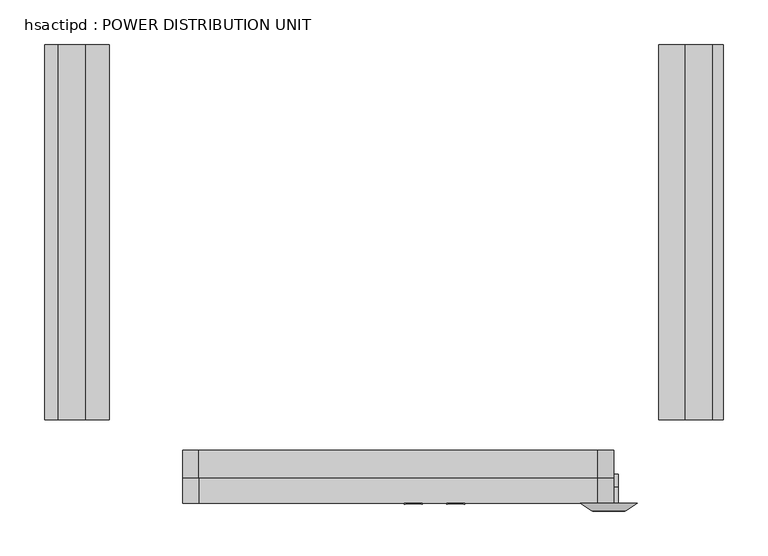
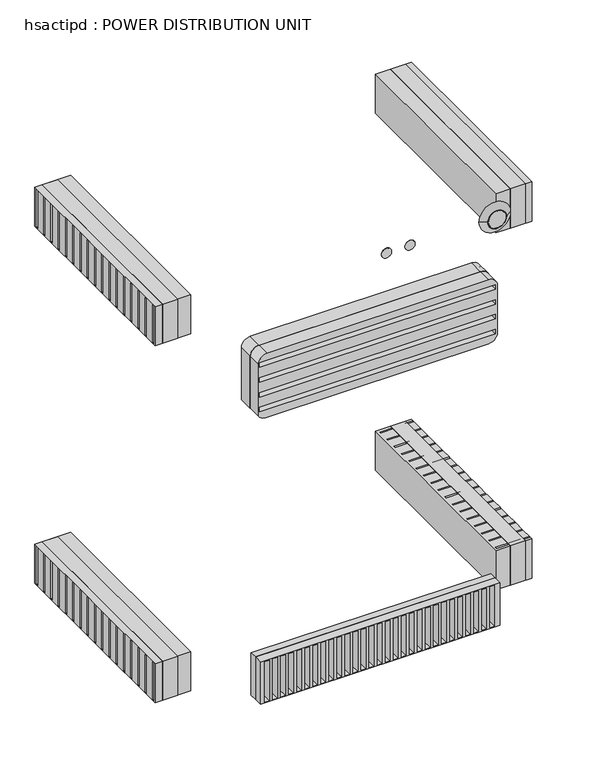
"""IFC4 building model written with IfcOpenShell, lengths in millimetres: proxy geometry, hsactipd : POWER DISTRIBUTION UNIT."""

import ifcopenshell
import ifcopenshell.guid

model = None  # the IFC model being written
_history = None  # IfcOwnerHistory: only IFC2X3 demands one
_inside = {}  # id of a spatial element -> (the spatial element, [elements in it])
_under = {}  # id of a project, library or spatial element -> (it, [spatial elements below it])
_declared = {}  # id of a project -> (the project, [libraries it declares])
_typed = {}  # id of a type object -> (the type object, [elements of that type])
_made_of = {}  # id of a material, layer set ... -> (it, [elements and type objects made of it])


def new_model(schema):
    """Start an empty IFC model of exactly this schema.

    Asked for "IFC4X3", IfcOpenShell would pick the latest addendum, in which some entities
    have other attributes; the version numbers below select the first issue.
    IFC2X3 requires an IfcOwnerHistory on every rooted entity: one is made here for all.
    """
    global model, _history
    if schema == "IFC4X3":
        model = ifcopenshell.file(schema_version=(4, 3, 0, 0))
    else:
        model = ifcopenshell.file(schema=schema)
    _inside.clear()
    _under.clear()
    _declared.clear()
    _typed.clear()
    _made_of.clear()
    _history = None
    if model.schema == "IFC2X3":
        org = make("IfcOrganization", Name="unknown")
        user = make(
            "IfcPersonAndOrganization",
            ThePerson=make("IfcPerson", FamilyName="unknown"),
            TheOrganization=org,
        )
        app = make(
            "IfcApplication",
            ApplicationDeveloper=org,
            Version="unknown",
            ApplicationFullName="unknown",
            ApplicationIdentifier="unknown",
        )
        _history = make(
            "IfcOwnerHistory",
            OwningUser=user,
            OwningApplication=app,
            ChangeAction="ADDED",
            CreationDate=0,
        )
    return model


def make(cls, **values):
    """One entity of the class cls with the attributes given. An attribute that is None is left unset."""
    return model.create_entity(
        cls, **{name: value for name, value in values.items() if value is not None}
    )


def rooted(cls, **values):
    """An entity with a GlobalId (a new one), such as an element, a storey or a relation."""
    return make(cls, GlobalId=ifcopenshell.guid.new(), OwnerHistory=_history, **values)


def si_unit(unit_type, name, prefix=None):
    """IfcSIUnit, for example si_unit("LENGTHUNIT", "METRE", prefix="MILLI")."""
    return make("IfcSIUnit", UnitType=unit_type, Prefix=prefix, Name=name)


def assignment(units):
    """IfcUnitAssignment: the units of a project."""
    return None if units is None else make("IfcUnitAssignment", Units=units)


def point(xyz):
    """IfcCartesianPoint."""
    return None if xyz is None else make("IfcCartesianPoint", Coordinates=xyz)


def direction(xyz):
    """IfcDirection."""
    return None if xyz is None else make("IfcDirection", DirectionRatios=xyz)


def frame(location, z_axis=None, x_axis=None):
    """IfcAxis2Placement3D, a coordinate frame: its origin and axes. An axis left out is left unset."""
    return make(
        "IfcAxis2Placement3D",
        Location=point(location),
        Axis=direction(z_axis),
        RefDirection=direction(x_axis),
    )


def frame_2d(location, x_axis=None):
    """IfcAxis2Placement2D, a coordinate frame in the plane: its origin and x axis."""
    return make(
        "IfcAxis2Placement2D", Location=point(location), RefDirection=direction(x_axis)
    )


def origin():
    """The frame at (0, 0, 0) with its axes left unset."""
    return frame((0.0, 0.0, 0.0))


def place(relative_to, where):
    """IfcLocalPlacement: puts the frame where relative to a parent placement (None: the world)."""
    return make(
        "IfcLocalPlacement", PlacementRelTo=relative_to, RelativePlacement=where
    )


def context(
    kind, dimensions, precision=None, world=None, true_north=None, identifier=None
):
    """IfcGeometricRepresentationContext, for example the 3D "Model" context."""
    return make(
        "IfcGeometricRepresentationContext",
        ContextIdentifier=identifier,
        ContextType=kind,
        CoordinateSpaceDimension=dimensions,
        Precision=precision,
        WorldCoordinateSystem=world,
        TrueNorth=true_north,
    )


def project(units=None, contexts=None):
    """IfcProject with its units and contexts."""
    return rooted(
        "IfcProject",
        Name="project",
        RepresentationContexts=contexts,
        UnitsInContext=assignment(units),
    )


def spatial(cls, under=None, at=None, **own):
    """A site, building, storey or space (cls), placed at a placement, below another one or the project."""
    s = rooted(cls, ObjectPlacement=at, **own)
    if under is not None:
        _under.setdefault(under.id(), (under, []))[1].append(s)
    return s


def polyline(points):
    """IfcPolyline through the points."""
    return make("IfcPolyline", Points=[point(p) for p in points])


def circle_curve(where, radius):
    """IfcCircle in the frame where."""
    return make("IfcCircle", Position=where, Radius=radius)


def trimmed(basis, trim1, trim2, sense, master):
    """IfcTrimmedCurve: the piece of a basis curve between two trims."""
    return make(
        "IfcTrimmedCurve",
        BasisCurve=basis,
        Trim1=trim1,
        Trim2=trim2,
        SenseAgreement=sense,
        MasterRepresentation=master,
    )


def segment(curve, same_sense, transition):
    """IfcCompositeCurveSegment."""
    return make(
        "IfcCompositeCurveSegment",
        Transition=transition,
        SameSense=same_sense,
        ParentCurve=curve,
    )


def composite_curve(segments, self_intersect=None):
    """IfcCompositeCurve: segments joined end to end."""
    return make("IfcCompositeCurve", Segments=segments, SelfIntersect=self_intersect)


def outline(outer, holes=None, kind="AREA"):
    """IfcArbitraryClosedProfileDef: a profile drawn as a closed curve; with holes, ...WithVoids."""
    if holes is None:
        return make("IfcArbitraryClosedProfileDef", ProfileType=kind, OuterCurve=outer)
    return make(
        "IfcArbitraryProfileDefWithVoids",
        ProfileType=kind,
        OuterCurve=outer,
        InnerCurves=holes,
    )


def extrude(swept, where, along, depth):
    """IfcExtrudedAreaSolid: the profile swept, set in the frame where, extruded along a direction by depth."""
    return make(
        "IfcExtrudedAreaSolid",
        SweptArea=swept,
        Position=where,
        ExtrudedDirection=direction(along),
        Depth=depth,
    )


def faces_of(points, faces, orient=None, outer=None):
    """IfcFace entities. A face is a list of loops; a loop is a list of indices into points, from 0.

    orient and outer hold one flag for each loop. By default every Orientation is true, the
    first loop of a face is its IfcFaceOuterBound and the others are IfcFaceBound.
    """
    made = []
    for i, loops in enumerate(faces):
        bounds = []
        for j, loop in enumerate(loops):
            is_outer = j == 0 if outer is None else outer[i][j]
            bounds.append(
                make(
                    "IfcFaceOuterBound" if is_outer else "IfcFaceBound",
                    Bound=make("IfcPolyLoop", Polygon=[points[k] for k in loop]),
                    Orientation=True if orient is None else orient[i][j],
                )
            )
        made.append(make("IfcFace", Bounds=bounds))
    return made


def faceted_brep(points, faces, orient=None, outer=None, voids=None):
    """IfcFacetedBrep: a solid bounded by flat faces; with voids (closed shells), ...WithVoids."""
    shared = [point(p) for p in points]
    hull = make("IfcClosedShell", CfsFaces=faces_of(shared, faces, orient, outer))
    if voids is None:
        return make("IfcFacetedBrep", Outer=hull)
    return make(
        "IfcFacetedBrepWithVoids",
        Outer=hull,
        Voids=[
            make(cls, CfsFaces=faces_of(shared, fs, o, b)) for cls, fs, o, b in voids
        ],
    )


def shape(context_of_items, identifier, shape_type, items):
    """IfcShapeRepresentation: the items that make up one representation, for example the "Body"."""
    return make(
        "IfcShapeRepresentation",
        ContextOfItems=context_of_items,
        RepresentationIdentifier=identifier,
        RepresentationType=shape_type,
        Items=items,
    )


def source(mapping_origin, context_of_items, identifier, shape_type, items):
    """IfcRepresentationMap: a shape defined once, which mapped items show again and again."""
    return make(
        "IfcRepresentationMap",
        MappingOrigin=mapping_origin,
        MappedRepresentation=shape(context_of_items, identifier, shape_type, items),
    )


def transform(
    local_origin,
    x_axis=None,
    y_axis=None,
    z_axis=None,
    scale=None,
    scale2=None,
    scale3=None,
    uniform=True,
):
    """IfcCartesianTransformationOperator3D, or its non-uniform kind. x_axis, y_axis, z_axis: its Axis1, 2, 3."""
    if uniform:
        return make(
            "IfcCartesianTransformationOperator3D",
            Axis1=direction(x_axis),
            Axis2=direction(y_axis),
            LocalOrigin=point(local_origin),
            Scale=scale,
            Axis3=direction(z_axis),
        )
    return make(
        "IfcCartesianTransformationOperator3DnonUniform",
        Axis1=direction(x_axis),
        Axis2=direction(y_axis),
        LocalOrigin=point(local_origin),
        Scale=scale,
        Axis3=direction(z_axis),
        Scale2=scale2,
        Scale3=scale3,
    )


def mapped(mapping_source, mapping_target):
    """IfcMappedItem: shows the shape of a source again, moved by a transform."""
    return make(
        "IfcMappedItem", MappingSource=mapping_source, MappingTarget=mapping_target
    )


def made_of(thing, what):
    """Note that an element or type object is made of a material, layer set ...; save() writes the relation."""
    if what is not None:
        _made_of.setdefault(what.id(), (what, []))[1].append(thing)
    return thing


def element(
    cls,
    number,
    at=None,
    inside=None,
    cuts=None,
    type_object=None,
    material=None,
    context=None,
    identifier="Body",
    shape_type=None,
    held_by="IfcProductDefinitionShape",
    body=None,
    shapes=None,
    **own,
):
    """One element of the class cls, such as IfcWall. Its Tag is "e" and its number.

    at: its placement. inside: the storey or other place that contains it. cuts: it is an
    opening in that element (IfcRelVoidsElement). A single representation is given by context,
    identifier, shape_type and body (its items); several are given by shapes. held_by: the class
    of the entity that holds the representations. save() writes the other relations.
    """
    e = rooted(cls, Tag="e%d" % number, ObjectPlacement=at, **own)
    if body is not None:
        shapes = [shape(context, identifier, shape_type, body)]
    if shapes is not None:
        e.Representation = make(held_by, Representations=shapes)
    if inside is not None:
        _inside.setdefault(inside.id(), (inside, []))[1].append(e)
    if cuts is not None:
        rooted(
            "IfcRelVoidsElement", RelatingBuildingElement=cuts, RelatedOpeningElement=e
        )
    if type_object is not None:
        _typed.setdefault(type_object.id(), (type_object, []))[1].append(e)
    return made_of(e, material)


def aggregate(whole, parts):
    """IfcRelAggregates: a whole, such as a stair, and the parts it consists of."""
    return rooted("IfcRelAggregates", RelatingObject=whole, RelatedObjects=parts)


def save(model, path):
    """Write the relations noted so far, then the file.

    IfcRelAggregates (storeys below a building ...), IfcRelContainedInSpatialStructure (elements
    in a storey), IfcRelDefinesByType, IfcRelAssociatesMaterial and IfcRelDeclares: one each for
    every whole, place, type object, material and project.
    """
    for whole, parts in _under.values():
        aggregate(whole, parts)
    for where, things in _inside.values():
        rooted(
            "IfcRelContainedInSpatialStructure",
            RelatedElements=things,
            RelatingStructure=where,
        )
    for kind, things in _typed.values():
        rooted("IfcRelDefinesByType", RelatedObjects=things, RelatingType=kind)
    for what, things in _made_of.values():
        rooted("IfcRelAssociatesMaterial", RelatedObjects=things, RelatingMaterial=what)
    for by, libraries in _declared.values():
        rooted("IfcRelDeclares", RelatingContext=by, RelatedDefinitions=libraries)
    model.write(path)


def plane_surface(at):
    """IfcPlane: the flat surface through the origin of the frame at, square to its z axis."""
    return make("IfcPlane", Position=at)


def revolved_surface(curve, axis_point, axis_direction):
    """IfcSurfaceOfRevolution: the curve turned about the line through axis_point along axis_direction."""
    return make(
        "IfcSurfaceOfRevolution",
        SweptCurve=make("IfcArbitraryOpenProfileDef", ProfileType="CURVE", Curve=curve),
        AxisPosition=make("IfcAxis1Placement", Location=point(axis_point), Axis=direction(axis_direction)),
    )


def advanced_brep(points, edges, surfaces, faces):
    """IfcAdvancedBrep: a solid bounded by faces that lie on surfaces and meet in shared edges.

    An edge is (start, end): straight between two places in points (the first is 0);
    or (start, end, curve); or (start, end, curve, False) where it runs against its curve.
    A face is (place in surfaces, loops), or (place, loops, False) where it looks against
    its surface's normal. A loop lists edges by number (the first is 1), with a minus sign
    where the edge is run from its end to its start. The first loop is the outer one.
    """
    corners = [point(p) for p in points]
    vertices = [make("IfcVertexPoint", VertexGeometry=c) for c in corners]
    made = []
    for start, end, *more in edges:
        made.append(
            make(
                "IfcEdgeCurve",
                EdgeStart=vertices[start],
                EdgeEnd=vertices[end],
                EdgeGeometry=more[0] if more else make("IfcPolyline", Points=[corners[start], corners[end]]),
                SameSense=more[1] if len(more) > 1 else True,
            )
        )
    hull = []
    for where, loops, *sense in faces:
        bounds = []
        for j, loop in enumerate(loops):
            ring = [make("IfcOrientedEdge", EdgeElement=made[abs(k) - 1], Orientation=k > 0) for k in loop]
            bounds.append(
                make(
                    "IfcFaceOuterBound" if j == 0 else "IfcFaceBound",
                    Bound=make("IfcEdgeLoop", EdgeList=ring),
                    Orientation=True,
                )
            )
        hull.append(make("IfcAdvancedFace", Bounds=bounds, FaceSurface=surfaces[where], SameSense=sense[0] if sense else True))
    return make("IfcAdvancedBrep", Outer=make("IfcClosedShell", CfsFaces=hull))


def hsactipd_power_distribution_unit_e67f532d(model_context):
    return source(origin(), model_context, "Body", "SolidModel", [
        extrude(outline(polyline([(761.8482721, -324.5379539), (761.8482721, -744.9079539), (731.5127684, -744.9079539), (731.5127684, -324.5379539), (761.8482721, -324.5379539)])), frame((0.0, 0.0, 121.047899), z_axis=(0.0, 0.0, 1.0), x_axis=(1.0, 0.0, 0.0)), (0.0, 0.0, 1.0), 83.82),
        extrude(outline(polyline([(761.8482721, -324.5379539), (761.8482721, -744.9079539), (731.5127684, -744.9079539), (731.5127684, -324.5379539), (761.8482721, -324.5379539)])), frame((0.0, 0.0, 883.047899), z_axis=(0.0, 0.0, 1.0), x_axis=(1.0, 0.0, 0.0)), (0.0, 0.0, 1.0), 83.82),
        extrude(outline(polyline([(28.6535885, -744.9079539), (28.6535885, -324.5379539), (58.9890922, -324.5379539), (58.9890922, -744.9079539), (28.6535885, -744.9079539)])), frame((0.0, 0.0, 121.047899), z_axis=(0.0, 0.0, 1.0), x_axis=(1.0, 0.0, 0.0)), (0.0, 0.0, 1.0), 83.82),
        extrude(outline(polyline([(28.6535885, -744.9079539), (28.6535885, -324.5379539), (58.9890922, -324.5379539), (58.9890922, -744.9079539), (28.6535885, -744.9079539)])), frame((0.0, 0.0, 883.047899), z_axis=(0.0, 0.0, 1.0), x_axis=(1.0, 0.0, 0.0)), (0.0, 0.0, 1.0), 83.82),
        extrude(outline(polyline([(656.4572816, -820.2558112), (172.5872816, -820.2558112), (172.5872816, -805.8457536), (656.4572816, -805.8457536), (656.4572816, -820.2558112)])), frame((0.0, 0.0, 118.6856245), z_axis=(0.0, 0.0, 1.0), x_axis=(1.0, 0.0, 0.0)), (0.0, 0.0, 1.0), 90.17),
        extrude(outline(composite_curve([segment(polyline([(845.892643, 168.2948993), (734.9447741, 168.2948993)]), True, "CONTINUOUS"), segment(trimmed(circle_curve(frame_2d((745.3012718, 182.7472816)), 17.78), [point((734.9447741, 168.2948993))], [point((727.5212718, 182.7472816))], False, "CARTESIAN"), True, "CONTINUOUS"), segment(polyline([(727.5212718, 182.7472816), (727.5212718, 633.5972816)]), True, "CONTINUOUS"), segment(trimmed(circle_curve(frame_2d((745.3012718, 633.5972816)), 17.78), [point((727.5212718, 633.5972816))], [point((745.3012718, 651.3772816))], False, "CARTESIAN"), True, "CONTINUOUS"), segment(polyline([(745.3012718, 651.3772816), (845.892643, 651.3772816)]), True, "CONTINUOUS"), segment(trimmed(circle_curve(frame_2d((845.892643, 633.5972816)), 17.78), [point((845.892643, 651.3772816))], [point((863.672643, 633.5972816))], False, "CARTESIAN"), True, "CONTINUOUS"), segment(polyline([(863.672643, 633.5972816), (863.672643, 186.0748993)]), True, "CONTINUOUS"), segment(trimmed(circle_curve(frame_2d((845.892643, 186.0748993)), 17.78), [point((863.672643, 186.0748993))], [point((845.892643, 168.2948993))], False, "CARTESIAN"), True, "CONTINUOUS")], self_intersect=False)), frame((0.0, -810.0150461, 0.0), z_axis=(0.0, 1.0, 0.0), x_axis=(0.0, 0.0, 1.0)), (0.0, 0.0, 1.0), 30.8170922),
        faceted_brep([(774.3030789, -324.5379539, 966.867899), (774.3030789, -744.9079539, 966.867899), (774.3030789, -744.9079539, 883.047899), (774.3030789, -324.5379539, 883.047899), (774.3030789, -736.3419115, 965.3989057), (774.3030789, -736.3419115, 884.1630022), (774.3030789, -740.0505071, 884.1630022), (774.3030789, -740.0505071, 965.3989057), (774.3030789, -710.9419115, 965.3989057), (774.3030789, -710.9419115, 884.1630022), (774.3030789, -714.6505071, 884.1630022), (774.3030789, -714.6505071, 965.3989057), (774.3030789, -685.5419115, 965.3989057), (774.3030789, -685.5419115, 884.1630022), (774.3030789, -689.2505071, 884.1630022), (774.3030789, -689.2505071, 965.3989057), (774.3030789, -660.1419115, 965.3989057), (774.3030789, -660.1419115, 884.1630022), (774.3030789, -663.8505071, 884.1630022), (774.3030789, -663.8505071, 965.3989057), (774.3030789, -634.7419115, 965.3989057), (774.3030789, -634.7419115, 884.1630022), (774.3030789, -638.4505071, 884.1630022), (774.3030789, -638.4505071, 965.3989057), (774.3030789, -609.3419115, 965.3989057), (774.3030789, -609.3419115, 884.1630022), (774.3030789, -613.0505071, 884.1630022), (774.3030789, -613.0505071, 965.3989057), (774.3030789, -583.9419115, 965.3989057), (774.3030789, -583.9419115, 884.1630022), (774.3030789, -587.6505071, 884.1630022), (774.3030789, -587.6505071, 965.3989057), (774.3030789, -558.5419115, 965.3989057), (774.3030789, -558.5419115, 884.1630022), (774.3030789, -562.2505071, 884.1630022), (774.3030789, -562.2505071, 965.3989057), (774.3030789, -533.1419115, 965.3989057), (774.3030789, -533.1419115, 884.1630022), (774.3030789, -536.8505071, 884.1630022), (774.3030789, -536.8505071, 965.3989057), (774.3030789, -507.7419115, 965.3989057), (774.3030789, -507.7419115, 884.1630022), (774.3030789, -511.4505071, 884.1630022), (774.3030789, -511.4505071, 965.3989057), (774.3030789, -482.3419115, 965.3989057), (774.3030789, -482.3419115, 884.1630022), (774.3030789, -486.0505071, 884.1630022), (774.3030789, -486.0505071, 965.3989057), (774.3030789, -456.9419115, 965.3989057), (774.3030789, -456.9419115, 884.1630022), (774.3030789, -460.6505071, 884.1630022), (774.3030789, -460.6505071, 965.3989057), (774.3030789, -431.5419115, 965.3989057), (774.3030789, -431.5419115, 884.1630022), (774.3030789, -435.2505071, 884.1630022), (774.3030789, -435.2505071, 965.3989057), (774.3030789, -406.1419115, 965.3989057), (774.3030789, -406.1419115, 884.1630022), (774.3030789, -409.8505071, 884.1630022), (774.3030789, -409.8505071, 965.3989057), (774.3030789, -380.7419115, 965.3989057), (774.3030789, -380.7419115, 884.1630022), (774.3030789, -384.4505071, 884.1630022), (774.3030789, -384.4505071, 965.3989057), (774.3030789, -355.3419115, 965.3989057), (774.3030789, -355.3419115, 884.1630022), (774.3030789, -359.0505071, 884.1630022), (774.3030789, -359.0505071, 965.3989057), (774.3030789, -329.9419115, 965.3989057), (774.3030789, -329.9419115, 884.1630022), (774.3030789, -333.6505071, 884.1630022), (774.3030789, -333.6505071, 965.3989057), (701.9825097, -324.5379539, 966.867899), (701.9825097, -324.5379539, 883.047899), (701.9825097, -744.9079539, 883.047899), (701.9825097, -744.9079539, 966.867899), (706.2723647, -736.3419115, 965.3989057), (706.2723647, -740.0505071, 965.3989057), (706.2723647, -740.0505071, 884.1630022), (706.2723647, -736.3419115, 884.1630022), (706.2723647, -710.9419115, 965.3989057), (706.2723647, -714.6505071, 965.3989057), (706.2723647, -714.6505071, 884.1630022), (706.2723647, -710.9419115, 884.1630022), (706.2723647, -685.5419115, 965.3989057), (706.2723647, -689.2505071, 965.3989057), (706.2723647, -689.2505071, 884.1630022), (706.2723647, -685.5419115, 884.1630022), (706.2723647, -660.1419115, 965.3989057), (706.2723647, -663.8505071, 965.3989057), (706.2723647, -663.8505071, 884.1630022), (706.2723647, -660.1419115, 884.1630022), (706.2723647, -634.7419115, 965.3989057), (706.2723647, -638.4505071, 965.3989057), (706.2723647, -638.4505071, 884.1630022), (706.2723647, -634.7419115, 884.1630022), (706.2723647, -609.3419115, 965.3989057), (706.2723647, -613.0505071, 965.3989057), (706.2723647, -613.0505071, 884.1630022), (706.2723647, -609.3419115, 884.1630022), (706.2723647, -583.9419115, 965.3989057), (706.2723647, -587.6505071, 965.3989057), (706.2723647, -587.6505071, 884.1630022), (706.2723647, -583.9419115, 884.1630022), (706.2723647, -558.5419115, 965.3989057), (706.2723647, -562.2505071, 965.3989057), (706.2723647, -562.2505071, 884.1630022), (706.2723647, -558.5419115, 884.1630022), (706.2723647, -533.1419115, 965.3989057), (706.2723647, -536.8505071, 965.3989057), (706.2723647, -536.8505071, 884.1630022), (706.2723647, -533.1419115, 884.1630022), (706.2723647, -507.7419115, 965.3989057), (706.2723647, -511.4505071, 965.3989057), (706.2723647, -511.4505071, 884.1630022), (706.2723647, -507.7419115, 884.1630022), (706.2723647, -482.3419115, 965.3989057), (706.2723647, -486.0505071, 965.3989057), (706.2723647, -486.0505071, 884.1630022), (706.2723647, -482.3419115, 884.1630022), (706.2723647, -456.9419115, 965.3989057), (706.2723647, -460.6505071, 965.3989057), (706.2723647, -460.6505071, 884.1630022), (706.2723647, -456.9419115, 884.1630022), (706.2723647, -431.5419115, 965.3989057), (706.2723647, -435.2505071, 965.3989057), (706.2723647, -435.2505071, 884.1630022), (706.2723647, -431.5419115, 884.1630022), (706.2723647, -406.1419115, 965.3989057), (706.2723647, -409.8505071, 965.3989057), (706.2723647, -409.8505071, 884.1630022), (706.2723647, -406.1419115, 884.1630022), (706.2723647, -380.7419115, 965.3989057), (706.2723647, -384.4505071, 965.3989057), (706.2723647, -384.4505071, 884.1630022), (706.2723647, -380.7419115, 884.1630022), (706.2723647, -355.3419115, 965.3989057), (706.2723647, -359.0505071, 965.3989057), (706.2723647, -359.0505071, 884.1630022), (706.2723647, -355.3419115, 884.1630022), (706.2723647, -329.9419115, 965.3989057), (706.2723647, -333.6505071, 965.3989057), (706.2723647, -333.6505071, 884.1630022), (706.2723647, -329.9419115, 884.1630022)], [[[0, 1, 2, 3], [4, 5, 6, 7], [8, 9, 10, 11], [12, 13, 14, 15], [16, 17, 18, 19], [20, 21, 22, 23], [24, 25, 26, 27], [28, 29, 30, 31], [32, 33, 34, 35], [36, 37, 38, 39], [40, 41, 42, 43], [44, 45, 46, 47], [48, 49, 50, 51], [52, 53, 54, 55], [56, 57, 58, 59], [60, 61, 62, 63], [64, 65, 66, 67], [68, 69, 70, 71]], [[72, 73, 74, 75]], [[0, 3, 73, 72]], [[3, 2, 74, 73]], [[2, 1, 75, 74]], [[1, 0, 72, 75]], [[76, 77, 78, 79]], [[80, 81, 82, 83]], [[84, 85, 86, 87]], [[88, 89, 90, 91]], [[92, 93, 94, 95]], [[96, 97, 98, 99]], [[100, 101, 102, 103]], [[104, 105, 106, 107]], [[108, 109, 110, 111]], [[112, 113, 114, 115]], [[116, 117, 118, 119]], [[120, 121, 122, 123]], [[124, 125, 126, 127]], [[128, 129, 130, 131]], [[132, 133, 134, 135]], [[136, 137, 138, 139]], [[140, 141, 142, 143]], [[76, 79, 5, 4]], [[79, 78, 6, 5]], [[78, 77, 7, 6]], [[77, 76, 4, 7]], [[80, 83, 9, 8]], [[83, 82, 10, 9]], [[82, 81, 11, 10]], [[81, 80, 8, 11]], [[84, 87, 13, 12]], [[87, 86, 14, 13]], [[86, 85, 15, 14]], [[85, 84, 12, 15]], [[88, 91, 17, 16]], [[91, 90, 18, 17]], [[90, 89, 19, 18]], [[89, 88, 16, 19]], [[92, 95, 21, 20]], [[95, 94, 22, 21]], [[94, 93, 23, 22]], [[93, 92, 20, 23]], [[96, 99, 25, 24]], [[99, 98, 26, 25]], [[98, 97, 27, 26]], [[97, 96, 24, 27]], [[100, 103, 29, 28]], [[103, 102, 30, 29]], [[102, 101, 31, 30]], [[101, 100, 28, 31]], [[104, 107, 33, 32]], [[107, 106, 34, 33]], [[106, 105, 35, 34]], [[105, 104, 32, 35]], [[108, 111, 37, 36]], [[111, 110, 38, 37]], [[110, 109, 39, 38]], [[109, 108, 36, 39]], [[112, 115, 41, 40]], [[115, 114, 42, 41]], [[114, 113, 43, 42]], [[113, 112, 40, 43]], [[116, 119, 45, 44]], [[119, 118, 46, 45]], [[118, 117, 47, 46]], [[117, 116, 44, 47]], [[120, 123, 49, 48]], [[123, 122, 50, 49]], [[122, 121, 51, 50]], [[121, 120, 48, 51]], [[124, 127, 53, 52]], [[127, 126, 54, 53]], [[126, 125, 55, 54]], [[125, 124, 52, 55]], [[128, 131, 57, 56]], [[131, 130, 58, 57]], [[130, 129, 59, 58]], [[129, 128, 56, 59]], [[132, 135, 61, 60]], [[135, 134, 62, 61]], [[134, 133, 63, 62]], [[133, 132, 60, 63]], [[136, 139, 65, 64]], [[139, 138, 66, 65]], [[138, 137, 67, 66]], [[137, 136, 64, 67]], [[140, 143, 69, 68]], [[143, 142, 70, 69]], [[142, 141, 71, 70]], [[141, 140, 68, 71]]]),
        faceted_brep([(774.3030789, -744.9079539, 204.867899), (774.3030789, -744.9079539, 121.047899), (774.3030789, -324.5379539, 121.047899), (774.3030789, -324.5379539, 204.867899), (774.3030789, -329.9419115, 204.867899), (774.3030789, -329.9419115, 125.3934548), (774.3030789, -333.6505071, 125.3934548), (774.3030789, -333.6505071, 204.867899), (774.3030789, -355.3419115, 204.867899), (774.3030789, -355.3419115, 125.3934548), (774.3030789, -359.0505071, 125.3934548), (774.3030789, -359.0505071, 204.867899), (774.3030789, -380.7419115, 204.867899), (774.3030789, -380.7419115, 125.3934548), (774.3030789, -384.4505071, 125.3934548), (774.3030789, -384.4505071, 204.867899), (774.3030789, -406.1419115, 204.867899), (774.3030789, -406.1419115, 125.3934548), (774.3030789, -409.8505071, 125.3934548), (774.3030789, -409.8505071, 204.867899), (774.3030789, -431.5419115, 204.867899), (774.3030789, -431.5419115, 125.3934548), (774.3030789, -435.2505071, 125.3934548), (774.3030789, -435.2505071, 204.867899), (774.3030789, -456.9419115, 204.867899), (774.3030789, -456.9419115, 125.3934548), (774.3030789, -460.6505071, 125.3934548), (774.3030789, -460.6505071, 204.867899), (774.3030789, -482.3419115, 204.867899), (774.3030789, -482.3419115, 125.3934548), (774.3030789, -486.0505071, 125.3934548), (774.3030789, -486.0505071, 204.867899), (774.3030789, -507.7419115, 204.867899), (774.3030789, -507.7419115, 125.3934548), (774.3030789, -511.4505071, 125.3934548), (774.3030789, -511.4505071, 204.867899), (774.3030789, -533.1419115, 204.867899), (774.3030789, -533.1419115, 125.3934548), (774.3030789, -536.8505071, 125.3934548), (774.3030789, -536.8505071, 204.867899), (774.3030789, -558.5419115, 204.867899), (774.3030789, -558.5419115, 125.3934548), (774.3030789, -562.2505071, 125.3934548), (774.3030789, -562.2505071, 204.867899), (774.3030789, -583.9419115, 204.867899), (774.3030789, -583.9419115, 125.3934548), (774.3030789, -587.6505071, 125.3934548), (774.3030789, -587.6505071, 204.867899), (774.3030789, -609.3419115, 204.867899), (774.3030789, -609.3419115, 125.3934548), (774.3030789, -613.0505071, 125.3934548), (774.3030789, -613.0505071, 204.867899), (774.3030789, -634.7419115, 204.867899), (774.3030789, -634.7419115, 125.3934548), (774.3030789, -638.4505071, 125.3934548), (774.3030789, -638.4505071, 204.867899), (774.3030789, -660.1419115, 204.867899), (774.3030789, -660.1419115, 125.3934548), (774.3030789, -663.8505071, 125.3934548), (774.3030789, -663.8505071, 204.867899), (774.3030789, -685.5419115, 204.867899), (774.3030789, -685.5419115, 125.3934548), (774.3030789, -689.2505071, 125.3934548), (774.3030789, -689.2505071, 204.867899), (774.3030789, -710.9419115, 204.867899), (774.3030789, -710.9419115, 125.3934548), (774.3030789, -714.6505071, 125.3934548), (774.3030789, -714.6505071, 204.867899), (774.3030789, -736.3419115, 204.867899), (774.3030789, -736.3419115, 125.3934548), (774.3030789, -740.0505071, 125.3934548), (774.3030789, -740.0505071, 204.867899), (701.9825097, -324.5379539, 204.867899), (701.9825097, -324.5379539, 121.047899), (701.9825097, -744.9079539, 121.047899), (701.9825097, -744.9079539, 204.867899), (706.2723647, -740.0505071, 204.867899), (706.2723647, -736.3419115, 204.867899), (706.2723647, -714.6505071, 204.867899), (706.2723647, -710.9419115, 204.867899), (706.2723647, -689.2505071, 204.867899), (706.2723647, -685.5419115, 204.867899), (706.2723647, -663.8505071, 204.867899), (706.2723647, -660.1419115, 204.867899), (706.2723647, -638.4505071, 204.867899), (706.2723647, -634.7419115, 204.867899), (706.2723647, -613.0505071, 204.867899), (706.2723647, -609.3419115, 204.867899), (706.2723647, -587.6505071, 204.867899), (706.2723647, -583.9419115, 204.867899), (706.2723647, -562.2505071, 204.867899), (706.2723647, -558.5419115, 204.867899), (706.2723647, -536.8505071, 204.867899), (706.2723647, -533.1419115, 204.867899), (706.2723647, -511.4505071, 204.867899), (706.2723647, -507.7419115, 204.867899), (706.2723647, -486.0505071, 204.867899), (706.2723647, -482.3419115, 204.867899), (706.2723647, -460.6505071, 204.867899), (706.2723647, -456.9419115, 204.867899), (706.2723647, -435.2505071, 204.867899), (706.2723647, -431.5419115, 204.867899), (706.2723647, -409.8505071, 204.867899), (706.2723647, -406.1419115, 204.867899), (706.2723647, -384.4505071, 204.867899), (706.2723647, -380.7419115, 204.867899), (706.2723647, -359.0505071, 204.867899), (706.2723647, -355.3419115, 204.867899), (706.2723647, -333.6505071, 204.867899), (706.2723647, -329.9419115, 204.867899), (706.2723647, -740.0505071, 125.3934548), (706.2723647, -736.3419115, 125.3934548), (706.2723647, -714.6505071, 125.3934548), (706.2723647, -710.9419115, 125.3934548), (706.2723647, -689.2505071, 125.3934548), (706.2723647, -685.5419115, 125.3934548), (706.2723647, -663.8505071, 125.3934548), (706.2723647, -660.1419115, 125.3934548), (706.2723647, -638.4505071, 125.3934548), (706.2723647, -634.7419115, 125.3934548), (706.2723647, -613.0505071, 125.3934548), (706.2723647, -609.3419115, 125.3934548), (706.2723647, -587.6505071, 125.3934548), (706.2723647, -583.9419115, 125.3934548), (706.2723647, -562.2505071, 125.3934548), (706.2723647, -558.5419115, 125.3934548), (706.2723647, -536.8505071, 125.3934548), (706.2723647, -533.1419115, 125.3934548), (706.2723647, -511.4505071, 125.3934548), (706.2723647, -507.7419115, 125.3934548), (706.2723647, -486.0505071, 125.3934548), (706.2723647, -482.3419115, 125.3934548), (706.2723647, -460.6505071, 125.3934548), (706.2723647, -456.9419115, 125.3934548), (706.2723647, -435.2505071, 125.3934548), (706.2723647, -431.5419115, 125.3934548), (706.2723647, -409.8505071, 125.3934548), (706.2723647, -406.1419115, 125.3934548), (706.2723647, -384.4505071, 125.3934548), (706.2723647, -380.7419115, 125.3934548), (706.2723647, -359.0505071, 125.3934548), (706.2723647, -355.3419115, 125.3934548), (706.2723647, -333.6505071, 125.3934548), (706.2723647, -329.9419115, 125.3934548)], [[[0, 1, 2, 3, 4, 5, 6, 7, 8, 9, 10, 11, 12, 13, 14, 15, 16, 17, 18, 19, 20, 21, 22, 23, 24, 25, 26, 27, 28, 29, 30, 31, 32, 33, 34, 35, 36, 37, 38, 39, 40, 41, 42, 43, 44, 45, 46, 47, 48, 49, 50, 51, 52, 53, 54, 55, 56, 57, 58, 59, 60, 61, 62, 63, 64, 65, 66, 67, 68, 69, 70, 71]], [[72, 73, 74, 75]], [[3, 2, 73, 72]], [[2, 1, 74, 73]], [[1, 0, 75, 74]], [[72, 75, 0, 71, 76, 77, 68, 67, 78, 79, 64, 63, 80, 81, 60, 59, 82, 83, 56, 55, 84, 85, 52, 51, 86, 87, 48, 47, 88, 89, 44, 43, 90, 91, 40, 39, 92, 93, 36, 35, 94, 95, 32, 31, 96, 97, 28, 27, 98, 99, 24, 23, 100, 101, 20, 19, 102, 103, 16, 15, 104, 105, 12, 11, 106, 107, 8, 7, 108, 109, 4, 3]], [[110, 111, 77, 76]], [[112, 113, 79, 78]], [[114, 115, 81, 80]], [[116, 117, 83, 82]], [[118, 119, 85, 84]], [[120, 121, 87, 86]], [[122, 123, 89, 88]], [[124, 125, 91, 90]], [[126, 127, 93, 92]], [[128, 129, 95, 94]], [[130, 131, 97, 96]], [[132, 133, 99, 98]], [[134, 135, 101, 100]], [[136, 137, 103, 102]], [[138, 139, 105, 104]], [[140, 141, 107, 106]], [[142, 143, 109, 108]], [[111, 110, 70, 69]], [[70, 110, 76, 71]], [[111, 69, 68, 77]], [[113, 112, 66, 65]], [[66, 112, 78, 67]], [[113, 65, 64, 79]], [[115, 114, 62, 61]], [[62, 114, 80, 63]], [[115, 61, 60, 81]], [[117, 116, 58, 57]], [[58, 116, 82, 59]], [[117, 57, 56, 83]], [[119, 118, 54, 53]], [[54, 118, 84, 55]], [[119, 53, 52, 85]], [[121, 120, 50, 49]], [[50, 120, 86, 51]], [[121, 49, 48, 87]], [[123, 122, 46, 45]], [[46, 122, 88, 47]], [[123, 45, 44, 89]], [[125, 124, 42, 41]], [[42, 124, 90, 43]], [[125, 41, 40, 91]], [[127, 126, 38, 37]], [[38, 126, 92, 39]], [[127, 37, 36, 93]], [[129, 128, 34, 33]], [[34, 128, 94, 35]], [[129, 33, 32, 95]], [[131, 130, 30, 29]], [[30, 130, 96, 31]], [[131, 29, 28, 97]], [[133, 132, 26, 25]], [[26, 132, 98, 27]], [[133, 25, 24, 99]], [[135, 134, 22, 21]], [[22, 134, 100, 23]], [[135, 21, 20, 101]], [[137, 136, 18, 17]], [[18, 136, 102, 19]], [[137, 17, 16, 103]], [[139, 138, 14, 13]], [[14, 138, 104, 15]], [[139, 13, 12, 105]], [[141, 140, 10, 9]], [[10, 140, 106, 11]], [[141, 9, 8, 107]], [[143, 142, 6, 5]], [[6, 142, 108, 7]], [[143, 5, 4, 109]]]),
        extrude(outline(polyline([(-324.5379539, 966.867899), (-324.5379539, 883.047899), (-744.9079539, 883.047899), (-744.9079539, 966.867899), (-324.5379539, 966.867899)]), holes=[polyline([(-333.6505071, 965.3989057), (-333.6505071, 884.1630022), (-329.9419115, 884.1630022), (-329.9419115, 965.3989057), (-333.6505071, 965.3989057)]), polyline([(-359.0505071, 965.3989057), (-359.0505071, 884.1630022), (-355.3419115, 884.1630022), (-355.3419115, 965.3989057), (-359.0505071, 965.3989057)]), polyline([(-384.4505071, 965.3989057), (-384.4505071, 884.1630022), (-380.7419115, 884.1630022), (-380.7419115, 965.3989057), (-384.4505071, 965.3989057)]), polyline([(-409.8505071, 965.3989057), (-409.8505071, 884.1630022), (-406.1419115, 884.1630022), (-406.1419115, 965.3989057), (-409.8505071, 965.3989057)]), polyline([(-435.2505071, 965.3989057), (-435.2505071, 884.1630022), (-431.5419115, 884.1630022), (-431.5419115, 965.3989057), (-435.2505071, 965.3989057)]), polyline([(-460.6505071, 965.3989057), (-460.6505071, 884.1630022), (-456.9419115, 884.1630022), (-456.9419115, 965.3989057), (-460.6505071, 965.3989057)]), polyline([(-486.0505071, 965.3989057), (-486.0505071, 884.1630022), (-482.3419115, 884.1630022), (-482.3419115, 965.3989057), (-486.0505071, 965.3989057)]), polyline([(-511.4505071, 965.3989057), (-511.4505071, 884.1630022), (-507.7419115, 884.1630022), (-507.7419115, 965.3989057), (-511.4505071, 965.3989057)]), polyline([(-536.8505071, 965.3989057), (-536.8505071, 884.1630022), (-533.1419115, 884.1630022), (-533.1419115, 965.3989057), (-536.8505071, 965.3989057)]), polyline([(-562.2505071, 965.3989057), (-562.2505071, 884.1630022), (-558.5419115, 884.1630022), (-558.5419115, 965.3989057), (-562.2505071, 965.3989057)]), polyline([(-587.6505071, 965.3989057), (-587.6505071, 884.1630022), (-583.9419115, 884.1630022), (-583.9419115, 965.3989057), (-587.6505071, 965.3989057)]), polyline([(-613.0505071, 965.3989057), (-613.0505071, 884.1630022), (-609.3419115, 884.1630022), (-609.3419115, 965.3989057), (-613.0505071, 965.3989057)]), polyline([(-638.4505071, 965.3989057), (-638.4505071, 884.1630022), (-634.7419115, 884.1630022), (-634.7419115, 965.3989057), (-638.4505071, 965.3989057)]), polyline([(-663.8505071, 965.3989057), (-663.8505071, 884.1630022), (-660.1419115, 884.1630022), (-660.1419115, 965.3989057), (-663.8505071, 965.3989057)]), polyline([(-689.2505071, 965.3989057), (-689.2505071, 884.1630022), (-685.5419115, 884.1630022), (-685.5419115, 965.3989057), (-689.2505071, 965.3989057)]), polyline([(-714.6505071, 965.3989057), (-714.6505071, 884.1630022), (-710.9419115, 884.1630022), (-710.9419115, 965.3989057), (-714.6505071, 965.3989057)]), polyline([(-740.0505071, 965.3989057), (-740.0505071, 884.1630022), (-736.3419115, 884.1630022), (-736.3419115, 965.3989057), (-740.0505071, 965.3989057)])]), frame((13.3803622, 0.0, 0.0), z_axis=(1.0, 0.0, 0.0), x_axis=(0.0, 1.0, 0.0)), (0.0, 0.0, 1.0), 72.3205692),
        extrude(outline(polyline([(-324.5379539, 204.867899), (-324.5379539, 121.047899), (-744.9079539, 121.047899), (-744.9079539, 204.867899), (-324.5379539, 204.867899)]), holes=[polyline([(-333.6505071, 122.2184548), (-329.9419115, 122.2184548), (-329.9419115, 203.4543583), (-333.6505071, 203.4543583), (-333.6505071, 122.2184548)]), polyline([(-359.0505071, 122.2184548), (-355.3419115, 122.2184548), (-355.3419115, 203.4543583), (-359.0505071, 203.4543583), (-359.0505071, 122.2184548)]), polyline([(-384.4505071, 122.2184548), (-380.7419115, 122.2184548), (-380.7419115, 203.4543583), (-384.4505071, 203.4543583), (-384.4505071, 122.2184548)]), polyline([(-409.8505071, 122.2184548), (-406.1419115, 122.2184548), (-406.1419115, 203.4543583), (-409.8505071, 203.4543583), (-409.8505071, 122.2184548)]), polyline([(-435.2505071, 122.2184548), (-431.5419115, 122.2184548), (-431.5419115, 203.4543583), (-435.2505071, 203.4543583), (-435.2505071, 122.2184548)]), polyline([(-460.6505071, 122.2184548), (-456.9419115, 122.2184548), (-456.9419115, 203.4543583), (-460.6505071, 203.4543583), (-460.6505071, 122.2184548)]), polyline([(-486.0505071, 122.2184548), (-482.3419115, 122.2184548), (-482.3419115, 203.4543583), (-486.0505071, 203.4543583), (-486.0505071, 122.2184548)]), polyline([(-511.4505071, 122.2184548), (-507.7419115, 122.2184548), (-507.7419115, 203.4543583), (-511.4505071, 203.4543583), (-511.4505071, 122.2184548)]), polyline([(-536.8505071, 122.2184548), (-533.1419115, 122.2184548), (-533.1419115, 203.4543583), (-536.8505071, 203.4543583), (-536.8505071, 122.2184548)]), polyline([(-562.2505071, 122.2184548), (-558.5419115, 122.2184548), (-558.5419115, 203.4543583), (-562.2505071, 203.4543583), (-562.2505071, 122.2184548)]), polyline([(-587.6505071, 122.2184548), (-583.9419115, 122.2184548), (-583.9419115, 203.4543583), (-587.6505071, 203.4543583), (-587.6505071, 122.2184548)]), polyline([(-613.0505071, 122.2184548), (-609.3419115, 122.2184548), (-609.3419115, 203.4543583), (-613.0505071, 203.4543583), (-613.0505071, 122.2184548)]), polyline([(-638.4505071, 122.2184548), (-634.7419115, 122.2184548), (-634.7419115, 203.4543583), (-638.4505071, 203.4543583), (-638.4505071, 122.2184548)]), polyline([(-663.8505071, 122.2184548), (-660.1419115, 122.2184548), (-660.1419115, 203.4543583), (-663.8505071, 203.4543583), (-663.8505071, 122.2184548)]), polyline([(-689.2505071, 122.2184548), (-685.5419115, 122.2184548), (-685.5419115, 203.4543583), (-689.2505071, 203.4543583), (-689.2505071, 122.2184548)]), polyline([(-714.6505071, 122.2184548), (-710.9419115, 122.2184548), (-710.9419115, 203.4543583), (-714.6505071, 203.4543583), (-714.6505071, 122.2184548)]), polyline([(-740.0505071, 122.2184548), (-736.3419115, 122.2184548), (-736.3419115, 203.4543583), (-740.0505071, 203.4543583), (-740.0505071, 122.2184548)])]), frame((13.3803622, 0.0, 0.0), z_axis=(1.0, 0.0, 0.0), x_axis=(0.0, 1.0, 0.0)), (0.0, 0.0, 1.0), 72.3205692),
        extrude(outline(composite_curve([segment(trimmed(circle_curve(frame_2d((993.6235454, 474.1566648)), 10.16), [point((993.6235454, 463.9966648))], [point((993.6235454, 484.3166648))], False, "CARTESIAN"), True, "CONTINUOUS"), segment(trimmed(circle_curve(frame_2d((993.6235454, 474.1566648)), 10.16), [point((993.6235454, 484.3166648))], [point((993.6235454, 463.9966648))], False, "CARTESIAN"), True, "CONTINUOUS")], self_intersect=False)), frame((0.0, -839.5136801, 0.0), z_axis=(0.0, 1.0, 0.0), x_axis=(0.0, 0.0, 1.0)), (0.0, 0.0, 1.0), 0.8341093),
        extrude(outline(composite_curve([segment(trimmed(circle_curve(frame_2d((993.6235454, 426.6988611)), 10.16), [point((993.6235454, 416.5388611))], [point((993.6235454, 436.8588611))], False, "CARTESIAN"), True, "CONTINUOUS"), segment(trimmed(circle_curve(frame_2d((993.6235454, 426.6988611)), 10.16), [point((993.6235454, 436.8588611))], [point((993.6235454, 416.5388611))], False, "CARTESIAN"), True, "CONTINUOUS")], self_intersect=False)), frame((0.0, -839.5136801, 0.0), z_axis=(0.0, 1.0, 0.0), x_axis=(0.0, 0.0, 1.0)), (0.0, 0.0, 1.0), 0.8341093),
        extrude(outline(composite_curve([segment(trimmed(circle_curve(frame_2d((993.6235454, 645.7731661)), 17.7152984), [point((993.6235454, 628.0578677))], [point((993.6235454, 663.4884646))], False, "CARTESIAN"), True, "CONTINUOUS"), segment(trimmed(circle_curve(frame_2d((993.6235454, 645.7731661)), 17.7152984), [point((993.6235454, 663.4884646))], [point((993.6235454, 628.0578677))], False, "CARTESIAN"), True, "CONTINUOUS")], self_intersect=False)), frame((0.0, -847.4710904, 0.0), z_axis=(0.0, 1.0, 0.0), x_axis=(0.0, 0.0, 1.0)), (0.0, 0.0, 1.0), 2.3570059),
        advanced_brep(
        [(626.7231661, -847.2477466, 993.6235454), (664.8231661, -847.2477466, 993.6235454), (614.0231661, -838.6795708, 993.6235454), (677.5231661, -838.6795708, 993.6235454)],
        [
            (0, 1, circle_curve(frame((645.7731661, -847.2477466, 993.6235454), z_axis=(0.0, -1.0, 0.0), x_axis=(-1.0, 0.0, 0.0)), 19.05)),
            (1, 0, circle_curve(frame((645.7731661, -847.2477466, 993.6235454), z_axis=(0.0, -1.0, 0.0), x_axis=(1.0, 0.0, 0.0)), 19.05)),
            (2, 3, circle_curve(frame((645.7731661, -838.6795708, 993.6235454), z_axis=(0.0, 1.0, 0.0), x_axis=(1.0, 0.0, 0.0)), 31.75)),
            (3, 2, circle_curve(frame((645.7731661, -838.6795708, 993.6235454), z_axis=(0.0, 1.0, 0.0), x_axis=(-1.0, 0.0, 0.0)), 31.75)),
            (3, 1),
            (0, 2),
        ],
        [
            plane_surface(frame((645.7731661, -847.2477466, 993.6235454), z_axis=(0.0, -1.0, 0.0), x_axis=(0.0, 0.0, -1.0))),
            plane_surface(frame((645.7731661, -838.6795708, 993.6235454), z_axis=(0.0, 1.0, 0.0), x_axis=(0.0, 0.0, -1.0))),
            revolved_surface(polyline([(626.7231660407109, -847.2477466, 993.6235454), (614.0231661, -838.6795708, 993.6235454)]), (645.7731661, -860.1000104, 993.6235454), (0.0, 1.0, 0.0)),
            revolved_surface(polyline([(664.8231661592891, -847.2477466, 993.6235454), (677.5231661, -838.6795708, 993.6235454)]), (645.7731661, -860.1000104, 993.6235454), (0.0, 1.0, 0.0)),
        ],
        [
            (0, [[1, 2]]),
            (1, [[3, 4]]),
            (2, [[-4, 5, -1, 6]]),
            (3, [[-3, -6, -2, -5]]),
        ],
    ),
        extrude(outline(composite_curve([segment(trimmed(circle_curve(frame_2d((845.892643, 186.0748993)), 17.78), [point((863.672643, 186.0748993))], [point((845.892643, 168.2948993))], False, "CARTESIAN"), True, "CONTINUOUS"), segment(polyline([(845.892643, 168.2948993), (734.9447741, 168.2948993)]), True, "CONTINUOUS"), segment(trimmed(circle_curve(frame_2d((745.3012718, 182.7472816)), 17.78), [point((734.9447741, 168.2948993))], [point((727.5212718, 182.7472816))], False, "CARTESIAN"), True, "CONTINUOUS"), segment(polyline([(727.5212718, 182.7472816), (727.5212718, 633.5972816)]), True, "CONTINUOUS"), segment(trimmed(circle_curve(frame_2d((745.3012718, 633.5972816)), 17.78), [point((727.5212718, 633.5972816))], [point((745.3012718, 651.3772816))], False, "CARTESIAN"), True, "CONTINUOUS"), segment(polyline([(745.3012718, 651.3772816), (845.892643, 651.3772816)]), True, "CONTINUOUS"), segment(trimmed(circle_curve(frame_2d((845.892643, 633.5972816)), 17.78), [point((845.892643, 651.3772816))], [point((863.672643, 633.5972816))], False, "CARTESIAN"), True, "CONTINUOUS"), segment(polyline([(863.672643, 633.5972816), (863.672643, 186.0748993)]), True, "CONTINUOUS")], self_intersect=False), holes=[polyline([(848.614, 647.2926794), (838.8967769, 647.2926794), (838.8967769, 170.9397372), (848.614, 170.9397372), (848.614, 647.2926794)]), polyline([(816.864, 647.2926794), (807.1467769, 647.2926794), (807.1467769, 170.9397372), (816.864, 170.9397372), (816.864, 647.2926794)]), polyline([(785.114, 647.2926794), (775.3967769, 647.2926794), (775.3967769, 170.9397372), (785.114, 170.9397372), (785.114, 647.2926794)]), polyline([(753.364, 647.2926794), (743.6467769, 647.2926794), (743.6467769, 170.9397372), (753.364, 170.9397372), (753.364, 647.2926794)])]), frame((0.0, -838.6795708, 0.0), z_axis=(0.0, 1.0, 0.0), x_axis=(0.0, 0.0, 1.0)), (0.0, 0.0, 1.0), 59.4816169),
        extrude(outline(polyline([(208.8556245, 172.5872816), (118.6856245, 172.5872816), (118.6856245, 656.4572816), (208.8556245, 656.4572816), (208.8556245, 172.5872816)]), holes=[polyline([(207.407899, 190.1782237), (120.3783251, 190.1782237), (120.3783251, 180.7461805), (207.407899, 180.7461805), (207.407899, 190.1782237)]), polyline([(207.407899, 206.3777551), (120.3783251, 206.3777551), (120.3783251, 196.9457119), (207.407899, 196.9457119), (207.407899, 206.3777551)]), polyline([(207.407899, 222.6337551), (120.3783251, 222.6337551), (120.3783251, 213.2017119), (207.407899, 213.2017119), (207.407899, 222.6337551)]), polyline([(207.407899, 238.8897551), (120.3783251, 238.8897551), (120.3783251, 229.4577119), (207.407899, 229.4577119), (207.407899, 238.8897551)]), polyline([(207.407899, 255.1457551), (120.3783251, 255.1457551), (120.3783251, 245.7137119), (207.407899, 245.7137119), (207.407899, 255.1457551)]), polyline([(207.407899, 271.4017551), (120.3783251, 271.4017551), (120.3783251, 261.9697119), (207.407899, 261.9697119), (207.407899, 271.4017551)]), polyline([(207.407899, 287.6577551), (120.3783251, 287.6577551), (120.3783251, 278.2257119), (207.407899, 278.2257119), (207.407899, 287.6577551)]), polyline([(207.407899, 303.9137551), (120.3783251, 303.9137551), (120.3783251, 294.4817119), (207.407899, 294.4817119), (207.407899, 303.9137551)]), polyline([(207.407899, 320.1697551), (120.3783251, 320.1697551), (120.3783251, 310.7377119), (207.407899, 310.7377119), (207.407899, 320.1697551)]), polyline([(207.407899, 336.4257551), (120.3783251, 336.4257551), (120.3783251, 326.9937119), (207.407899, 326.9937119), (207.407899, 336.4257551)]), polyline([(207.407899, 352.6817551), (120.3783251, 352.6817551), (120.3783251, 343.2497119), (207.407899, 343.2497119), (207.407899, 352.6817551)]), polyline([(207.407899, 368.9377551), (120.3783251, 368.9377551), (120.3783251, 359.5057119), (207.407899, 359.5057119), (207.407899, 368.9377551)]), polyline([(207.407899, 385.1937551), (120.3783251, 385.1937551), (120.3783251, 375.7617119), (207.407899, 375.7617119), (207.407899, 385.1937551)]), polyline([(207.407899, 401.4497551), (120.3783251, 401.4497551), (120.3783251, 392.0177119), (207.407899, 392.0177119), (207.407899, 401.4497551)]), polyline([(207.407899, 417.7057551), (120.3783251, 417.7057551), (120.3783251, 408.2737119), (207.407899, 408.2737119), (207.407899, 417.7057551)]), polyline([(207.407899, 433.9617551), (120.3783251, 433.9617551), (120.3783251, 424.5297119), (207.407899, 424.5297119), (207.407899, 433.9617551)]), polyline([(207.407899, 450.2177551), (120.3783251, 450.2177551), (120.3783251, 440.7857119), (207.407899, 440.7857119), (207.407899, 450.2177551)]), polyline([(207.407899, 466.4737551), (120.3783251, 466.4737551), (120.3783251, 457.0417119), (207.407899, 457.0417119), (207.407899, 466.4737551)]), polyline([(207.407899, 482.7297551), (120.3783251, 482.7297551), (120.3783251, 473.2977119), (207.407899, 473.2977119), (207.407899, 482.7297551)]), polyline([(207.407899, 498.9857551), (120.3783251, 498.9857551), (120.3783251, 489.5537119), (207.407899, 489.5537119), (207.407899, 498.9857551)]), polyline([(207.407899, 515.2417551), (120.3783251, 515.2417551), (120.3783251, 505.8097119), (207.407899, 505.8097119), (207.407899, 515.2417551)]), polyline([(207.407899, 531.4977551), (120.3783251, 531.4977551), (120.3783251, 522.0657119), (207.407899, 522.0657119), (207.407899, 531.4977551)]), polyline([(207.407899, 547.7537551), (120.3783251, 547.7537551), (120.3783251, 538.3217119), (207.407899, 538.3217119), (207.407899, 547.7537551)]), polyline([(207.407899, 564.0097551), (120.3783251, 564.0097551), (120.3783251, 554.5777119), (207.407899, 554.5777119), (207.407899, 564.0097551)]), polyline([(207.407899, 580.2657551), (120.3783251, 580.2657551), (120.3783251, 570.8337119), (207.407899, 570.8337119), (207.407899, 580.2657551)]), polyline([(207.407899, 596.5217551), (120.3783251, 596.5217551), (120.3783251, 587.0897119), (207.407899, 587.0897119), (207.407899, 596.5217551)]), polyline([(207.407899, 612.7777551), (120.3783251, 612.7777551), (120.3783251, 603.3457119), (207.407899, 603.3457119), (207.407899, 612.7777551)]), polyline([(207.407899, 629.0337551), (120.3783251, 629.0337551), (120.3783251, 619.6017119), (207.407899, 619.6017119), (207.407899, 629.0337551)]), polyline([(207.407899, 645.2897551), (120.3783251, 645.2897551), (120.3783251, 635.8577119), (207.407899, 635.8577119), (207.407899, 645.2897551)])]), frame((0.0, -838.6795708, 0.0), z_axis=(0.0, 1.0, 0.0), x_axis=(0.0, 0.0, 1.0)), (0.0, 0.0, 1.0), 18.4237596),
    ])


if __name__ == "__main__":
    model = new_model("IFC4")
    model_context = context("Model", 3, world=origin())
    ifc_project = project(units=[si_unit("LENGTHUNIT", "METRE", prefix="MILLI")], contexts=[model_context])
    site = spatial("IfcSite", under=ifc_project)
    building = spatial("IfcBuilding", under=site)
    placement = place(None, origin())
    hsactipd_power_distribution_unit_shape = hsactipd_power_distribution_unit_e67f532d(model_context)
    element("IfcBuildingElementProxy", 1, Name="hsactipd : POWER DISTRIBUTION UNIT", ObjectType="hsactipd : POWER DISTRIBUTION UNIT", at=placement, inside=building, context=model_context, shape_type="MappedRepresentation", body=[
        mapped(hsactipd_power_distribution_unit_shape, transform((0.0, 0.0, 0.0), x_axis=(1.0, 0.0, 0.0), y_axis=(0.0, 1.0, 0.0), z_axis=(0.0, 0.0, 1.0))),
    ])
    save(model, "model.ifc")
